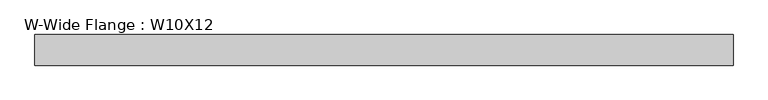
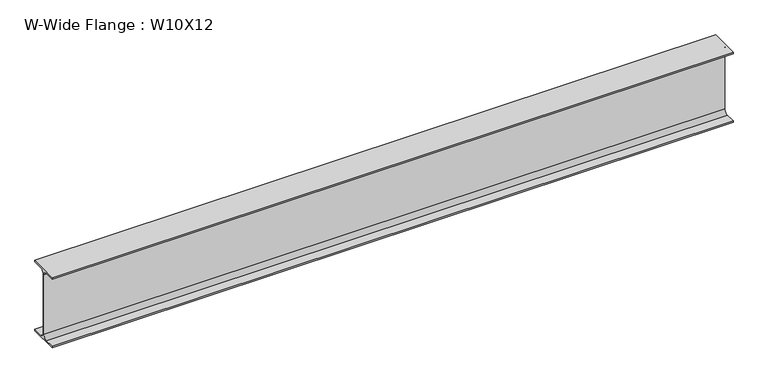
"""IFC4 building model written with IfcOpenShell, lengths in millimetres: beam geometry, W-Wide Flange : W10X12."""

from ifc_helpers import new_model, si_unit, point, frame, frame_2d, origin, place, context, project, spatial, polyline, circle_curve, trimmed, segment, composite_curve, outline, extrude, source, transform, mapped, element, save


def w_wide_flange_w10x12_35a6ea91(model_context):
    return source(origin(), model_context, "Body", "SweptSolid", [
        extrude(outline(composite_curve([segment(polyline([(50.3039062, -120.0050781), (50.3039062, -125.3628906), (-50.3039063, -125.3628906), (-50.3039063, -120.0050781), (-16.1230469, -120.0050781)]), True, "CONTINUOUS"), segment(trimmed(circle_curve(frame_2d((-16.1230469, -106.3128906)), 13.6921875), [point((-16.1230469, -120.0050781))], [point((-2.4308594, -106.3128906))], True, "CARTESIAN"), True, "CONTINUOUS"), segment(polyline([(-2.4308594, -106.3128906), (-2.4308594, 106.3128906)]), True, "CONTINUOUS"), segment(trimmed(circle_curve(frame_2d((-16.1230469, 106.3128906)), 13.6921875), [point((-2.4308594, 106.3128906))], [point((-16.1230469, 120.0050781))], True, "CARTESIAN"), True, "CONTINUOUS"), segment(polyline([(-16.1230469, 120.0050781), (-50.3039063, 120.0050781), (-50.3039063, 125.3628906), (50.3039062, 125.3628906), (50.3039062, 120.0050781), (16.1230469, 120.0050781)]), True, "CONTINUOUS"), segment(trimmed(circle_curve(frame_2d((16.1230469, 106.3128906)), 13.6921875), [point((16.1230469, 120.0050781))], [point((2.4308594, 106.3128906))], True, "CARTESIAN"), True, "CONTINUOUS"), segment(polyline([(2.4308594, 106.3128906), (2.4308594, -106.3128906)]), True, "CONTINUOUS"), segment(trimmed(circle_curve(frame_2d((16.1230469, -106.3128906)), 13.6921875), [point((2.4308594, -106.3128906))], [point((16.1230469, -120.0050781))], True, "CARTESIAN"), True, "CONTINUOUS"), segment(polyline([(16.1230469, -120.0050781), (50.3039062, -120.0050781)]), True, "CONTINUOUS")], self_intersect=False)), frame((-1126.8769531, 0.0, 0.0), z_axis=(1.0, 0.0, 0.0), x_axis=(0.0, 1.0, 0.0)), (0.0, 0.0, 1.0), 2295.2769531),
    ])


if __name__ == "__main__":
    model = new_model("IFC4")
    model_context = context("Model", 3, world=origin())
    ifc_project = project(units=[si_unit("LENGTHUNIT", "METRE", prefix="MILLI")], contexts=[model_context])
    site = spatial("IfcSite", under=ifc_project)
    building = spatial("IfcBuilding", under=site)
    placement = place(None, origin())
    w_wide_flange_w10x12_shape = w_wide_flange_w10x12_35a6ea91(model_context)
    element("IfcBeam", 1, ObjectType="W-Wide Flange : W10X12", at=placement, inside=building, context=model_context, shape_type="MappedRepresentation", body=[
        mapped(w_wide_flange_w10x12_shape, transform((0.0, 0.0, 0.0), x_axis=(1.0, 0.0, 0.0), y_axis=(0.0, 1.0, 0.0), z_axis=(0.0, 0.0, 1.0))),
    ])
    save(model, "model.ifc")
